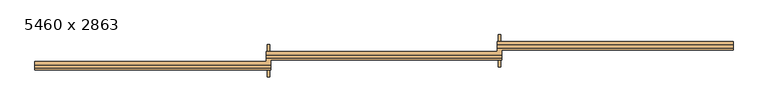
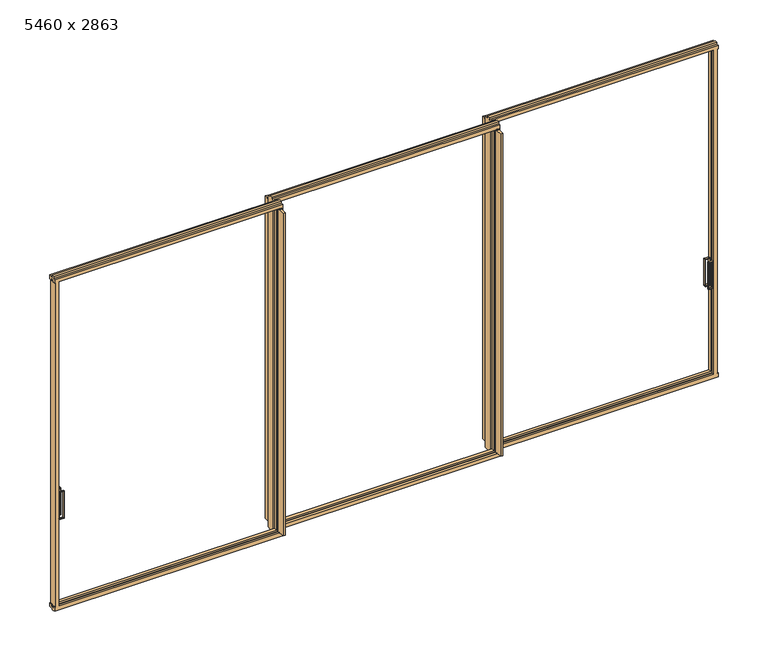
"""IFC4 building model written with IfcOpenShell, lengths in millimetres: door geometry, 5460 x 2863."""

from ifc_helpers import new_model, si_unit, point, frame, frame_2d, origin, place, context, project, spatial, polyline, circle_curve, trimmed, segment, composite_curve, outline, extrude, faceted_brep, source, transform, mapped, element, save
from ifc_brep_helpers import plane_surface, cylinder_surface, revolved_surface, advanced_brep


def door_5460_x_2863_6045a5b3(model_context):
    return source(origin(), model_context, "Body", "SolidModel", [
        extrude(outline(composite_curve([segment(trimmed(circle_curve(frame_2d((995.6578947, 2657.2)), 2.5), [point((998.1578947, 2657.2))], [point((995.6578947, 2654.7))], False, "CARTESIAN"), True, "CONTINUOUS"), segment(polyline([(995.6578947, 2654.7), (770.6578947, 2654.7)]), True, "CONTINUOUS"), segment(trimmed(circle_curve(frame_2d((770.6578947, 2657.2)), 2.5), [point((770.6578947, 2654.7))], [point((768.1578947, 2657.2))], False, "CARTESIAN"), True, "CONTINUOUS"), segment(polyline([(768.1578947, 2657.2), (768.1578947, 2692.2)]), True, "CONTINUOUS"), segment(trimmed(circle_curve(frame_2d((770.6578947, 2692.2)), 2.5), [point((768.1578947, 2692.2))], [point((770.6578947, 2694.7))], False, "CARTESIAN"), True, "CONTINUOUS"), segment(polyline([(770.6578947, 2694.7), (995.7002991, 2694.7)]), True, "CONTINUOUS"), segment(trimmed(circle_curve(frame_2d((995.7002991, 2692.2424043)), 2.4575957), [point((995.7002991, 2694.7))], [point((998.1578947, 2692.2424043))], False, "CARTESIAN"), True, "CONTINUOUS"), segment(polyline([(998.1578947, 2692.2424043), (998.1578947, 2657.2)]), True, "CONTINUOUS")], self_intersect=False), holes=[composite_curve([segment(polyline([(993.1578947, 2660.7), (993.1578947, 2688.7)]), True, "CONTINUOUS"), segment(trimmed(circle_curve(frame_2d((992.1578947, 2688.7)), 1.0), [point((993.1578947, 2688.7))], [point((992.1578947, 2689.7))], True, "CARTESIAN"), True, "CONTINUOUS"), segment(polyline([(992.1578947, 2689.7), (774.1578947, 2689.7)]), True, "CONTINUOUS"), segment(trimmed(circle_curve(frame_2d((774.1578947, 2688.7)), 1.0), [point((774.1578947, 2689.7))], [point((773.1578947, 2688.7))], True, "CARTESIAN"), True, "CONTINUOUS"), segment(polyline([(773.1578947, 2688.7), (773.1578947, 2660.7)]), True, "CONTINUOUS"), segment(trimmed(circle_curve(frame_2d((774.1578947, 2660.7)), 1.0), [point((773.1578947, 2660.7))], [point((774.1578947, 2659.7))], True, "CARTESIAN"), True, "CONTINUOUS"), segment(polyline([(774.1578947, 2659.7), (992.1578947, 2659.7)]), True, "CONTINUOUS"), segment(trimmed(circle_curve(frame_2d((992.1578947, 2660.7)), 1.0), [point((992.1578947, 2659.7))], [point((993.1578947, 2660.7))], True, "CARTESIAN"), True, "CONTINUOUS")], self_intersect=False)]), frame((0.0, 51.9342105, 0.0), z_axis=(0.0, 1.0, 0.0), x_axis=(0.0, 0.0, 1.0)), (0.0, 0.0, 1.0), 10.0),
        extrude(outline(composite_curve([segment(trimmed(circle_curve(frame_2d((901.9849528, 2687.6944959)), 10.0), [point((892.1661465, 2689.5895005))], [point((892.7785364, 2683.7904087))], True, "CARTESIAN"), True, "CONTINUOUS"), segment(trimmed(circle_curve(frame_2d((891.8578947, 2683.4)), 1.0), [point((892.7785364, 2683.7904087))], [point((891.8578947, 2682.4))], False, "CARTESIAN"), True, "CONTINUOUS"), segment(polyline([(891.8578947, 2682.4), (886.8578947, 2682.4)]), True, "CONTINUOUS"), segment(trimmed(circle_curve(frame_2d((886.8578947, 2683.4)), 1.0), [point((886.8578947, 2682.4))], [point((885.9372531, 2683.7904087))], False, "CARTESIAN"), True, "CONTINUOUS"), segment(trimmed(circle_curve(frame_2d((876.7308367, 2687.6944959)), 10.0), [point((885.9372531, 2683.7904087))], [point((886.7308367, 2687.6944959))], True, "CARTESIAN"), True, "CONTINUOUS"), segment(trimmed(circle_curve(frame_2d((876.7308367, 2687.6944959)), 10.0), [point((886.7308367, 2687.6944959))], [point((886.549643, 2689.5895005))], True, "CARTESIAN"), True, "CONTINUOUS"), segment(trimmed(circle_curve(frame_2d((885.5677623, 2689.4)), 1.0), [point((886.549643, 2689.5895005))], [point((885.5677623, 2690.4))], True, "CARTESIAN"), True, "CONTINUOUS"), segment(polyline([(885.5677623, 2690.4), (854.3078947, 2690.4), (854.3078947, 2695.4), (924.4078947, 2695.4), (924.4078947, 2690.4), (893.1480271, 2690.4)]), True, "CONTINUOUS"), segment(trimmed(circle_curve(frame_2d((893.1480271, 2689.4)), 1.0), [point((893.1480271, 2690.4))], [point((892.1661465, 2689.5895005))], True, "CARTESIAN"), True, "CONTINUOUS")], self_intersect=False)), frame((0.0, 99.6, 0.0), z_axis=(0.0, 1.0, 0.0), x_axis=(0.0, 0.0, 1.0)), (0.0, 0.0, 1.0), 12.55),
        advanced_brep(
        [(2657.2, 115.35, 998.1578947), (2692.2424043, 115.35, 998.1578947), (2694.7, 115.35, 995.7002991), (2694.7, 115.35, 770.6578947), (2692.2, 115.35, 768.1578947), (2657.2, 115.35, 768.1578947), (2654.7, 115.35, 770.6578947), (2654.7, 115.35, 995.6578947), (2660.7, 115.35, 993.1578947), (2659.7, 115.35, 992.1578947), (2659.7, 115.35, 774.1578947), (2660.7, 115.35, 773.1578947), (2688.7, 115.35, 773.1578947), (2689.7, 115.35, 774.1578947), (2689.7, 115.35, 992.1578947), (2688.7, 115.35, 993.1578947), (2657.2, 96.35, 998.1578947), (2654.7, 96.35, 995.6578947), (2654.7, 96.35, 770.6578947), (2657.2, 96.35, 768.1578947), (2692.2, 96.35, 768.1578947), (2694.7, 96.35, 770.6578947), (2694.7, 96.35, 995.7002991), (2692.2424043, 96.35, 998.1578947), (2660.7, 96.35, 993.1578947), (2688.7, 96.35, 993.1578947), (2689.7, 96.35, 992.1578947), (2689.7, 96.35, 774.1578947), (2688.7, 96.35, 773.1578947), (2660.7, 96.35, 773.1578947), (2659.7, 96.35, 774.1578947), (2659.7, 96.35, 992.1578947), (2694.7, 113.1, 840.4799553), (2694.7, 112.1, 839.4799553), (2694.7, 99.6, 839.4799553), (2694.7, 98.6, 840.4799553), (2694.7, 98.6, 924.7799553), (2694.7, 99.6, 925.7799553), (2694.7, 112.1, 925.7799553), (2694.7, 113.1, 924.7799553), (2689.7, 112.1, 839.4799553), (2689.7, 113.1, 840.4799553), (2689.7, 113.1, 924.7799553), (2689.7, 112.1, 925.7799553), (2689.7, 99.6, 925.7799553), (2689.7, 98.6, 924.7799553), (2689.7, 98.6, 840.4799553), (2689.7, 99.6, 839.4799553)],
        [
            (0, 1),
            (1, 2, circle_curve(frame((2692.2424043, 115.35, 995.7002991), z_axis=(0.0, 1.0, 0.0), x_axis=(-1.0, 0.0, 0.0)), 2.4575957)),
            (2, 3),
            (3, 4, circle_curve(frame((2692.2, 115.35, 770.6578947), z_axis=(0.0, 1.0, 0.0), x_axis=(-1.0, 0.0, 0.0)), 2.5)),
            (4, 5),
            (5, 6, circle_curve(frame((2657.2, 115.35, 770.6578947), z_axis=(0.0, 1.0, 0.0), x_axis=(-1.0, 0.0, 0.0)), 2.5)),
            (6, 7),
            (7, 0, circle_curve(frame((2657.2, 115.35, 995.6578947), z_axis=(0.0, 1.0, 0.0), x_axis=(-1.0, 0.0, 0.0)), 2.5)),
            (8, 9, circle_curve(frame((2660.7, 115.35, 992.1578947), z_axis=(0.0, -1.0, 0.0), x_axis=(-1.0, 0.0, 0.0)), 1.0)),
            (9, 10),
            (10, 11, circle_curve(frame((2660.7, 115.35, 774.1578947), z_axis=(0.0, -1.0, 0.0), x_axis=(-1.0, 0.0, 0.0)), 1.0)),
            (11, 12),
            (12, 13, circle_curve(frame((2688.7, 115.35, 774.1578947), z_axis=(0.0, -1.0, 0.0), x_axis=(-1.0, 0.0, 0.0)), 1.0)),
            (13, 14),
            (14, 15, circle_curve(frame((2688.7, 115.35, 992.1578947), z_axis=(0.0, -1.0, 0.0), x_axis=(-1.0, 0.0, 0.0)), 1.0)),
            (15, 8),
            (16, 17, circle_curve(frame((2657.2, 96.35, 995.6578947), z_axis=(0.0, -1.0, 0.0), x_axis=(-1.0, 0.0, 0.0)), 2.5)),
            (17, 18),
            (18, 19, circle_curve(frame((2657.2, 96.35, 770.6578947), z_axis=(0.0, -1.0, 0.0), x_axis=(-1.0, 0.0, 0.0)), 2.5)),
            (19, 20),
            (20, 21, circle_curve(frame((2692.2, 96.35, 770.6578947), z_axis=(0.0, -1.0, 0.0), x_axis=(-1.0, 0.0, 0.0)), 2.5)),
            (21, 22),
            (22, 23, circle_curve(frame((2692.2424043, 96.35, 995.7002991), z_axis=(0.0, -1.0, 0.0), x_axis=(-1.0, 0.0, 0.0)), 2.4575957)),
            (23, 16),
            (24, 25),
            (25, 26, circle_curve(frame((2688.7, 96.35, 992.1578947), z_axis=(0.0, 1.0, 0.0), x_axis=(-1.0, 0.0, 0.0)), 1.0)),
            (26, 27),
            (27, 28, circle_curve(frame((2688.7, 96.35, 774.1578947), z_axis=(0.0, 1.0, 0.0), x_axis=(-1.0, 0.0, 0.0)), 1.0)),
            (28, 29),
            (29, 30, circle_curve(frame((2660.7, 96.35, 774.1578947), z_axis=(0.0, 1.0, 0.0), x_axis=(-1.0, 0.0, 0.0)), 1.0)),
            (30, 31),
            (31, 24, circle_curve(frame((2660.7, 96.35, 992.1578947), z_axis=(0.0, 1.0, 0.0), x_axis=(-1.0, 0.0, 0.0)), 1.0)),
            (0, 16),
            (23, 1),
            (22, 2),
            (21, 3),
            (32, 33, circle_curve(frame((2694.7, 112.1, 840.4799553), z_axis=(-1.0, 0.0, 0.0), x_axis=(0.0, 0.0, -1.0)), 1.0)),
            (33, 34),
            (34, 35, circle_curve(frame((2694.7, 99.6, 840.4799553), z_axis=(-1.0, 0.0, 0.0), x_axis=(0.0, 0.0, -1.0)), 1.0)),
            (35, 36),
            (36, 37, circle_curve(frame((2694.7, 99.6, 924.7799553), z_axis=(-1.0, 0.0, 0.0), x_axis=(0.0, 0.0, -1.0)), 1.0)),
            (37, 38),
            (38, 39, circle_curve(frame((2694.7, 112.1, 924.7799553), z_axis=(-1.0, 0.0, 0.0), x_axis=(0.0, 0.0, -1.0)), 1.0)),
            (39, 32),
            (20, 4),
            (19, 5),
            (18, 6),
            (17, 7),
            (8, 24),
            (31, 9),
            (30, 10),
            (29, 11),
            (28, 12),
            (27, 13),
            (26, 14),
            (40, 41, circle_curve(frame((2689.7, 112.1, 840.4799553), z_axis=(1.0, 0.0, 0.0), x_axis=(0.0, 0.0, -1.0)), 1.0)),
            (41, 42),
            (42, 43, circle_curve(frame((2689.7, 112.1, 924.7799553), z_axis=(1.0, 0.0, 0.0), x_axis=(0.0, 0.0, -1.0)), 1.0)),
            (43, 44),
            (44, 45, circle_curve(frame((2689.7, 99.6, 924.7799553), z_axis=(1.0, 0.0, 0.0), x_axis=(0.0, 0.0, -1.0)), 1.0)),
            (45, 46),
            (46, 47, circle_curve(frame((2689.7, 99.6, 840.4799553), z_axis=(1.0, 0.0, 0.0), x_axis=(0.0, 0.0, -1.0)), 1.0)),
            (47, 40),
            (25, 15),
            (40, 33),
            (32, 41),
            (39, 42),
            (38, 43),
            (37, 44),
            (36, 45),
            (35, 46),
            (34, 47),
        ],
        [
            plane_surface(frame((2692.2, 115.35, 998.1578947), z_axis=(0.0, 1.0, 0.0), x_axis=(1.0, 0.0, 0.0))),
            plane_surface(frame((2692.2, 96.35, 998.1578947), z_axis=(0.0, -1.0, 0.0), x_axis=(-1.0, 0.0, 0.0))),
            plane_surface(frame((2657.2, 115.35, 998.1578947), z_axis=(0.0, 0.0, 1.0), x_axis=(0.0, -1.0, 0.0))),
            cylinder_surface(frame((2692.2424043, 96.35, 995.7002991), z_axis=(0.0, 1.0, 0.0), x_axis=(-1.0, 0.0, 0.0)), 2.4575957),
            plane_surface(frame((2694.7, 115.35, 995.7002991), z_axis=(1.0, 0.0, 0.0), x_axis=(0.0, -1.0, 0.0))),
            cylinder_surface(frame((2692.2, 96.35, 770.6578947), z_axis=(0.0, 1.0, 0.0), x_axis=(-1.0, 0.0, 0.0)), 2.5),
            plane_surface(frame((2692.2, 115.35, 768.1578947), z_axis=(0.0, 0.0, -1.0), x_axis=(0.0, -1.0, 0.0))),
            cylinder_surface(frame((2657.2, 96.35, 770.6578947), z_axis=(0.0, 1.0, 0.0), x_axis=(-1.0, 0.0, 0.0)), 2.5),
            plane_surface(frame((2654.7, 115.35, 770.6578947), z_axis=(-1.0, 0.0, 0.0), x_axis=(0.0, -1.0, 0.0))),
            cylinder_surface(frame((2657.2, 96.35, 995.6578947), z_axis=(0.0, 1.0, 0.0), x_axis=(-1.0, 0.0, 0.0)), 2.5),
            revolved_surface(polyline([(2659.7, 96.35, 992.1578947), (2659.7, 115.35, 992.1578947)]), (2660.7, 105.85, 992.1578947), (0.0, -1.0, 0.0)),
            plane_surface(frame((2659.7, 115.35, 992.1578947), z_axis=(1.0, 0.0, 0.0), x_axis=(0.0, -1.0, 0.0))),
            revolved_surface(polyline([(2659.7, 96.35, 774.1578947), (2659.7, 115.35, 774.1578947)]), (2660.7, 105.85, 774.1578947), (0.0, -1.0, 0.0)),
            plane_surface(frame((2660.7, 115.35, 773.1578947), z_axis=(0.0, 0.0, 1.0), x_axis=(0.0, -1.0, 0.0))),
            revolved_surface(polyline([(2687.7, 96.35, 774.1578947), (2687.7, 115.35, 774.1578947)]), (2688.7, 105.85, 774.1578947), (0.0, -1.0, 0.0)),
            plane_surface(frame((2689.7, 115.35, 774.1578947), z_axis=(-1.0, 0.0, 0.0), x_axis=(0.0, -1.0, 0.0))),
            revolved_surface(polyline([(2687.7, 96.35, 992.1578947), (2687.7, 115.35, 992.1578947)]), (2688.7, 105.85, 992.1578947), (0.0, -1.0, 0.0)),
            plane_surface(frame((2688.7, 115.35, 993.1578947), z_axis=(0.0, 0.0, -1.0), x_axis=(0.0, -1.0, 0.0))),
            revolved_surface(polyline([(2694.7, 112.1, 839.4799553), (2689.7, 112.1, 839.4799553)]), (2679.7, 112.1, 840.4799553), (1.0, 0.0, 0.0)),
            plane_surface(frame((2704.7, 113.1, 840.4799553), z_axis=(0.0, -1.0, 0.0), x_axis=(-1.0, 0.0, 0.0))),
            revolved_surface(polyline([(2694.7, 112.1, 923.7799553), (2689.7, 112.1, 923.7799553)]), (2679.7, 112.1, 924.7799553), (1.0, 0.0, 0.0)),
            plane_surface(frame((2704.7, 112.1, 925.7799553), z_axis=(0.0, 0.0, -1.0), x_axis=(-1.0, 0.0, 0.0))),
            revolved_surface(polyline([(2694.7, 99.6, 923.7799553), (2689.7, 99.6, 923.7799553)]), (2679.7, 99.6, 924.7799553), (1.0, 0.0, 0.0)),
            plane_surface(frame((2704.7, 98.6, 924.7799553), z_axis=(0.0, 1.0, 0.0), x_axis=(-1.0, 0.0, 0.0))),
            revolved_surface(polyline([(2694.7, 99.6, 839.4799553), (2689.7, 99.6, 839.4799553)]), (2679.7, 99.6, 840.4799553), (1.0, 0.0, 0.0)),
            plane_surface(frame((2704.7, 99.6, 839.4799553), z_axis=(0.0, 0.0, 1.0), x_axis=(-1.0, 0.0, 0.0))),
        ],
        [
            (0, [[1, 2, 3, 4, 5, 6, 7, 8], [9, 10, 11, 12, 13, 14, 15, 16]]),
            (1, [[17, 18, 19, 20, 21, 22, 23, 24], [25, 26, 27, 28, 29, 30, 31, 32]]),
            (2, [[-1, 33, -24, 34]]),
            (3, [[-2, -34, -23, 35]]),
            (4, [[-3, -35, -22, 36], [37, 38, 39, 40, 41, 42, 43, 44]]),
            (5, [[-4, -36, -21, 45]]),
            (6, [[-5, -45, -20, 46]]),
            (7, [[-6, -46, -19, 47]]),
            (8, [[-7, -47, -18, 48]]),
            (9, [[-8, -48, -17, -33]]),
            (10, [[-9, 49, -32, 50]]),
            (11, [[-10, -50, -31, 51]]),
            (12, [[-11, -51, -30, 52]]),
            (13, [[-12, -52, -29, 53]]),
            (14, [[-13, -53, -28, 54]]),
            (15, [[-14, -54, -27, 55], [56, 57, 58, 59, 60, 61, 62, 63]]),
            (16, [[-15, -55, -26, 64]]),
            (17, [[-16, -64, -25, -49]]),
            (18, [[65, -37, 66, -56]]),
            (19, [[-66, -44, 67, -57]]),
            (20, [[-67, -43, 68, -58]]),
            (21, [[-68, -42, 69, -59]]),
            (22, [[-69, -41, 70, -60]]),
            (23, [[-70, -40, 71, -61]]),
            (24, [[-71, -39, 72, -62]]),
            (25, [[-65, -63, -72, -38]]),
        ],
    ),
        extrude(outline(composite_curve([segment(polyline([(998.1578947, -2604.8000303), (998.1578947, -2639.8424347)]), True, "CONTINUOUS"), segment(trimmed(circle_curve(frame_2d((995.7002991, -2639.8424347)), 2.4575957), [point((998.1578947, -2639.8424347))], [point((995.7002991, -2642.3000303))], False, "CARTESIAN"), True, "CONTINUOUS"), segment(polyline([(995.7002991, -2642.3000303), (770.6578947, -2642.3000303)]), True, "CONTINUOUS"), segment(trimmed(circle_curve(frame_2d((770.6578947, -2639.8000303)), 2.5), [point((770.6578947, -2642.3000303))], [point((768.1578947, -2639.8000303))], False, "CARTESIAN"), True, "CONTINUOUS"), segment(polyline([(768.1578947, -2639.8000303), (768.1578947, -2604.8000303)]), True, "CONTINUOUS"), segment(trimmed(circle_curve(frame_2d((770.6578947, -2604.8000303)), 2.5), [point((768.1578947, -2604.8000303))], [point((770.6578947, -2602.3000303))], False, "CARTESIAN"), True, "CONTINUOUS"), segment(polyline([(770.6578947, -2602.3000303), (995.6578947, -2602.3000303)]), True, "CONTINUOUS"), segment(trimmed(circle_curve(frame_2d((995.6578947, -2604.8000303)), 2.5), [point((995.6578947, -2602.3000303))], [point((998.1578947, -2604.8000303))], False, "CARTESIAN"), True, "CONTINUOUS")], self_intersect=False), holes=[composite_curve([segment(trimmed(circle_curve(frame_2d((992.1578947, -2608.3000303)), 1.0), [point((993.1578947, -2608.3000303))], [point((992.1578947, -2607.3000303))], True, "CARTESIAN"), True, "CONTINUOUS"), segment(polyline([(992.1578947, -2607.3000303), (774.1578947, -2607.3000303)]), True, "CONTINUOUS"), segment(trimmed(circle_curve(frame_2d((774.1578947, -2608.3000303)), 1.0), [point((774.1578947, -2607.3000303))], [point((773.1578947, -2608.3000303))], True, "CARTESIAN"), True, "CONTINUOUS"), segment(polyline([(773.1578947, -2608.3000303), (773.1578947, -2636.3000303)]), True, "CONTINUOUS"), segment(trimmed(circle_curve(frame_2d((774.1578947, -2636.3000303)), 1.0), [point((773.1578947, -2636.3000303))], [point((774.1578947, -2637.3000303))], True, "CARTESIAN"), True, "CONTINUOUS"), segment(polyline([(774.1578947, -2637.3000303), (992.1578947, -2637.3000303)]), True, "CONTINUOUS"), segment(trimmed(circle_curve(frame_2d((992.1578947, -2636.3000303)), 1.0), [point((992.1578947, -2637.3000303))], [point((993.1578947, -2636.3000303))], True, "CARTESIAN"), True, "CONTINUOUS"), segment(polyline([(993.1578947, -2636.3000303), (993.1578947, -2608.3000303)]), True, "CONTINUOUS")], self_intersect=False)]), frame((0.0, -103.5394737, 0.0), z_axis=(0.0, 1.0, 0.0), x_axis=(0.0, 0.0, 1.0)), (0.0, 0.0, 1.0), 10.0),
        extrude(outline(composite_curve([segment(trimmed(circle_curve(frame_2d((893.1480271, -2637.0000303)), 1.0), [point((892.1661465, -2637.1895308))], [point((893.1480271, -2638.0000303))], True, "CARTESIAN"), True, "CONTINUOUS"), segment(polyline([(893.1480271, -2638.0000303), (924.4078947, -2638.0000303), (924.4078947, -2643.0000303), (854.3078947, -2643.0000303), (854.3078947, -2638.0000303), (885.5677623, -2638.0000303)]), True, "CONTINUOUS"), segment(trimmed(circle_curve(frame_2d((885.5677623, -2637.0000303)), 1.0), [point((885.5677623, -2638.0000303))], [point((886.549643, -2637.1895308))], True, "CARTESIAN"), True, "CONTINUOUS"), segment(trimmed(circle_curve(frame_2d((876.7308367, -2635.2945262)), 10.0), [point((886.549643, -2637.1895308))], [point((886.7308367, -2635.2945262))], True, "CARTESIAN"), True, "CONTINUOUS"), segment(trimmed(circle_curve(frame_2d((876.7308367, -2635.2945262)), 10.0), [point((886.7308367, -2635.2945262))], [point((885.9372531, -2631.390439))], True, "CARTESIAN"), True, "CONTINUOUS"), segment(trimmed(circle_curve(frame_2d((886.8578947, -2631.0000303)), 1.0), [point((885.9372531, -2631.390439))], [point((886.8578947, -2630.0000303))], False, "CARTESIAN"), True, "CONTINUOUS"), segment(polyline([(886.8578947, -2630.0000303), (891.8578947, -2630.0000303)]), True, "CONTINUOUS"), segment(trimmed(circle_curve(frame_2d((891.8578947, -2631.0000303)), 1.0), [point((891.8578947, -2630.0000303))], [point((892.7785364, -2631.390439))], False, "CARTESIAN"), True, "CONTINUOUS"), segment(trimmed(circle_curve(frame_2d((901.9849528, -2635.2945262)), 10.0), [point((892.7785364, -2631.390439))], [point((892.1661465, -2637.1895308))], True, "CARTESIAN"), True, "CONTINUOUS")], self_intersect=False)), frame((0.0, -55.1315789, 0.0), z_axis=(0.0, 1.0, 0.0), x_axis=(0.0, 0.0, 1.0)), (0.0, 0.0, 1.0), 12.55),
        advanced_brep(
        [(-2604.8000303, -39.3815789, 998.1578947), (-2602.3000303, -39.3815789, 995.6578947), (-2602.3000303, -39.3815789, 770.6578947), (-2604.8000303, -39.3815789, 768.1578947), (-2639.8000303, -39.3815789, 768.1578947), (-2642.3000303, -39.3815789, 770.6578947), (-2642.3000303, -39.3815789, 995.7002991), (-2639.8424347, -39.3815789, 998.1578947), (-2608.3000303, -39.3815789, 993.1578947), (-2636.3000303, -39.3815789, 993.1578947), (-2637.3000303, -39.3815789, 992.1578947), (-2637.3000303, -39.3815789, 774.1578947), (-2636.3000303, -39.3815789, 773.1578947), (-2608.3000303, -39.3815789, 773.1578947), (-2607.3000303, -39.3815789, 774.1578947), (-2607.3000303, -39.3815789, 992.1578947), (-2604.8000303, -58.3815789, 998.1578947), (-2639.8424347, -58.3815789, 998.1578947), (-2642.3000303, -58.3815789, 995.7002991), (-2642.3000303, -58.3815789, 770.6578947), (-2639.8000303, -58.3815789, 768.1578947), (-2604.8000303, -58.3815789, 768.1578947), (-2602.3000303, -58.3815789, 770.6578947), (-2602.3000303, -58.3815789, 995.6578947), (-2608.3000303, -58.3815789, 993.1578947), (-2607.3000303, -58.3815789, 992.1578947), (-2607.3000303, -58.3815789, 774.1578947), (-2608.3000303, -58.3815789, 773.1578947), (-2636.3000303, -58.3815789, 773.1578947), (-2637.3000303, -58.3815789, 774.1578947), (-2637.3000303, -58.3815789, 992.1578947), (-2636.3000303, -58.3815789, 993.1578947), (-2642.3000303, -41.6315789, 840.4799553), (-2642.3000303, -41.6315789, 924.7799553), (-2642.3000303, -42.6315789, 925.7799553), (-2642.3000303, -55.1315789, 925.7799553), (-2642.3000303, -56.1315789, 924.7799553), (-2642.3000303, -56.1315789, 840.4799553), (-2642.3000303, -55.1315789, 839.4799553), (-2642.3000303, -42.6315789, 839.4799553), (-2637.3000303, -42.6315789, 839.4799553), (-2637.3000303, -55.1315789, 839.4799553), (-2637.3000303, -56.1315789, 840.4799553), (-2637.3000303, -56.1315789, 924.7799553), (-2637.3000303, -55.1315789, 925.7799553), (-2637.3000303, -42.6315789, 925.7799553), (-2637.3000303, -41.6315789, 924.7799553), (-2637.3000303, -41.6315789, 840.4799553)],
        [
            (0, 1, circle_curve(frame((-2604.8000303, -39.3815789, 995.6578947), z_axis=(0.0, 1.0, 0.0), x_axis=(1.0, 0.0, 0.0)), 2.5)),
            (1, 2),
            (2, 3, circle_curve(frame((-2604.8000303, -39.3815789, 770.6578947), z_axis=(0.0, 1.0, 0.0), x_axis=(1.0, 0.0, 0.0)), 2.5)),
            (3, 4),
            (4, 5, circle_curve(frame((-2639.8000303, -39.3815789, 770.6578947), z_axis=(0.0, 1.0, 0.0), x_axis=(1.0, 0.0, 0.0)), 2.5)),
            (5, 6),
            (6, 7, circle_curve(frame((-2639.8424347, -39.3815789, 995.7002991), z_axis=(0.0, 1.0, 0.0), x_axis=(1.0, 0.0, 0.0)), 2.4575957)),
            (7, 0),
            (8, 9),
            (9, 10, circle_curve(frame((-2636.3000303, -39.3815789, 992.1578947), z_axis=(0.0, -1.0, 0.0), x_axis=(1.0, 0.0, 0.0)), 1.0)),
            (10, 11),
            (11, 12, circle_curve(frame((-2636.3000303, -39.3815789, 774.1578947), z_axis=(0.0, -1.0, 0.0), x_axis=(1.0, 0.0, 0.0)), 1.0)),
            (12, 13),
            (13, 14, circle_curve(frame((-2608.3000303, -39.3815789, 774.1578947), z_axis=(0.0, -1.0, 0.0), x_axis=(1.0, 0.0, 0.0)), 1.0)),
            (14, 15),
            (15, 8, circle_curve(frame((-2608.3000303, -39.3815789, 992.1578947), z_axis=(0.0, -1.0, 0.0), x_axis=(1.0, 0.0, 0.0)), 1.0)),
            (16, 17),
            (17, 18, circle_curve(frame((-2639.8424347, -58.3815789, 995.7002991), z_axis=(0.0, -1.0, 0.0), x_axis=(1.0, 0.0, 0.0)), 2.4575957)),
            (18, 19),
            (19, 20, circle_curve(frame((-2639.8000303, -58.3815789, 770.6578947), z_axis=(0.0, -1.0, 0.0), x_axis=(1.0, 0.0, 0.0)), 2.5)),
            (20, 21),
            (21, 22, circle_curve(frame((-2604.8000303, -58.3815789, 770.6578947), z_axis=(0.0, -1.0, 0.0), x_axis=(1.0, 0.0, 0.0)), 2.5)),
            (22, 23),
            (23, 16, circle_curve(frame((-2604.8000303, -58.3815789, 995.6578947), z_axis=(0.0, -1.0, 0.0), x_axis=(1.0, 0.0, 0.0)), 2.5)),
            (24, 25, circle_curve(frame((-2608.3000303, -58.3815789, 992.1578947), z_axis=(0.0, 1.0, 0.0), x_axis=(1.0, 0.0, 0.0)), 1.0)),
            (25, 26),
            (26, 27, circle_curve(frame((-2608.3000303, -58.3815789, 774.1578947), z_axis=(0.0, 1.0, 0.0), x_axis=(1.0, 0.0, 0.0)), 1.0)),
            (27, 28),
            (28, 29, circle_curve(frame((-2636.3000303, -58.3815789, 774.1578947), z_axis=(0.0, 1.0, 0.0), x_axis=(1.0, 0.0, 0.0)), 1.0)),
            (29, 30),
            (30, 31, circle_curve(frame((-2636.3000303, -58.3815789, 992.1578947), z_axis=(0.0, 1.0, 0.0), x_axis=(1.0, 0.0, 0.0)), 1.0)),
            (31, 24),
            (7, 17),
            (16, 0),
            (6, 18),
            (5, 19),
            (32, 33),
            (33, 34, circle_curve(frame((-2642.3000303, -42.6315789, 924.7799553), z_axis=(1.0, 0.0, 0.0), x_axis=(0.0, 0.0, -1.0)), 1.0)),
            (34, 35),
            (35, 36, circle_curve(frame((-2642.3000303, -55.1315789, 924.7799553), z_axis=(1.0, 0.0, 0.0), x_axis=(0.0, 0.0, -1.0)), 1.0)),
            (36, 37),
            (37, 38, circle_curve(frame((-2642.3000303, -55.1315789, 840.4799553), z_axis=(1.0, 0.0, 0.0), x_axis=(0.0, 0.0, -1.0)), 1.0)),
            (38, 39),
            (39, 32, circle_curve(frame((-2642.3000303, -42.6315789, 840.4799553), z_axis=(1.0, 0.0, 0.0), x_axis=(0.0, 0.0, -1.0)), 1.0)),
            (4, 20),
            (3, 21),
            (2, 22),
            (1, 23),
            (15, 25),
            (24, 8),
            (14, 26),
            (13, 27),
            (12, 28),
            (11, 29),
            (10, 30),
            (40, 41),
            (41, 42, circle_curve(frame((-2637.3000303, -55.1315789, 840.4799553), z_axis=(-1.0, 0.0, 0.0), x_axis=(0.0, 0.0, -1.0)), 1.0)),
            (42, 43),
            (43, 44, circle_curve(frame((-2637.3000303, -55.1315789, 924.7799553), z_axis=(-1.0, 0.0, 0.0), x_axis=(0.0, 0.0, -1.0)), 1.0)),
            (44, 45),
            (45, 46, circle_curve(frame((-2637.3000303, -42.6315789, 924.7799553), z_axis=(-1.0, 0.0, 0.0), x_axis=(0.0, 0.0, -1.0)), 1.0)),
            (46, 47),
            (47, 40, circle_curve(frame((-2637.3000303, -42.6315789, 840.4799553), z_axis=(-1.0, 0.0, 0.0), x_axis=(0.0, 0.0, -1.0)), 1.0)),
            (9, 31),
            (47, 32),
            (39, 40),
            (46, 33),
            (45, 34),
            (44, 35),
            (43, 36),
            (42, 37),
            (41, 38),
        ],
        [
            plane_surface(frame((-2639.8000303, -39.3815789, 998.1578947), z_axis=(0.0, 1.0, 0.0), x_axis=(-1.0, 0.0, 0.0))),
            plane_surface(frame((-2639.8000303, -58.3815789, 998.1578947), z_axis=(0.0, -1.0, 0.0), x_axis=(1.0, 0.0, 0.0))),
            plane_surface(frame((-2604.8000303, -39.3815789, 998.1578947), z_axis=(0.0, 0.0, 1.0), x_axis=(0.0, -1.0, 0.0))),
            cylinder_surface(frame((-2639.8424347, -58.3815789, 995.7002991), z_axis=(0.0, 1.0, 0.0), x_axis=(1.0, 0.0, 0.0)), 2.4575957),
            plane_surface(frame((-2642.3000303, -39.3815789, 995.7002991), z_axis=(-1.0, 0.0, 0.0), x_axis=(0.0, -1.0, 0.0))),
            cylinder_surface(frame((-2639.8000303, -58.3815789, 770.6578947), z_axis=(0.0, 1.0, 0.0), x_axis=(1.0, 0.0, 0.0)), 2.5),
            plane_surface(frame((-2639.8000303, -39.3815789, 768.1578947), z_axis=(0.0, 0.0, -1.0), x_axis=(0.0, -1.0, 0.0))),
            cylinder_surface(frame((-2604.8000303, -58.3815789, 770.6578947), z_axis=(0.0, 1.0, 0.0), x_axis=(1.0, 0.0, 0.0)), 2.5),
            plane_surface(frame((-2602.3000303, -39.3815789, 770.6578947), z_axis=(1.0, 0.0, 0.0), x_axis=(0.0, -1.0, 0.0))),
            cylinder_surface(frame((-2604.8000303, -58.3815789, 995.6578947), z_axis=(0.0, 1.0, 0.0), x_axis=(1.0, 0.0, 0.0)), 2.5),
            revolved_surface(polyline([(-2607.3000303, -58.3815789, 992.1578947), (-2607.3000303, -39.3815789, 992.1578947)]), (-2608.3000303, -48.8815789, 992.1578947), (0.0, -1.0, 0.0)),
            plane_surface(frame((-2607.3000303, -39.3815789, 992.1578947), z_axis=(-1.0, 0.0, 0.0), x_axis=(0.0, -1.0, 0.0))),
            revolved_surface(polyline([(-2607.3000303, -58.3815789, 774.1578947), (-2607.3000303, -39.3815789, 774.1578947)]), (-2608.3000303, -48.8815789, 774.1578947), (0.0, -1.0, 0.0)),
            plane_surface(frame((-2608.3000303, -39.3815789, 773.1578947), z_axis=(0.0, 0.0, 1.0), x_axis=(0.0, -1.0, 0.0))),
            revolved_surface(polyline([(-2635.3000303, -58.3815789, 774.1578947), (-2635.3000303, -39.3815789, 774.1578947)]), (-2636.3000303, -48.8815789, 774.1578947), (0.0, -1.0, 0.0)),
            plane_surface(frame((-2637.3000303, -39.3815789, 774.1578947), z_axis=(1.0, 0.0, 0.0), x_axis=(0.0, -1.0, 0.0))),
            revolved_surface(polyline([(-2635.3000303, -58.3815789, 992.1578947), (-2635.3000303, -39.3815789, 992.1578947)]), (-2636.3000303, -48.8815789, 992.1578947), (0.0, -1.0, 0.0)),
            plane_surface(frame((-2636.3000303, -39.3815789, 993.1578947), z_axis=(0.0, 0.0, -1.0), x_axis=(0.0, -1.0, 0.0))),
            revolved_surface(polyline([(-2642.3000303, -42.6315789, 839.4799553), (-2637.3000303, -42.6315789, 839.4799553)]), (-2627.3000303, -42.6315789, 840.4799553), (-1.0, 0.0, 0.0)),
            plane_surface(frame((-2652.3000303, -41.6315789, 840.4799553), z_axis=(0.0, -1.0, 0.0), x_axis=(1.0, 0.0, 0.0))),
            revolved_surface(polyline([(-2642.3000303, -42.6315789, 923.7799553), (-2637.3000303, -42.6315789, 923.7799553)]), (-2627.3000303, -42.6315789, 924.7799553), (-1.0, 0.0, 0.0)),
            plane_surface(frame((-2652.3000303, -42.6315789, 925.7799553), z_axis=(0.0, 0.0, -1.0), x_axis=(1.0, 0.0, 0.0))),
            revolved_surface(polyline([(-2642.3000303, -55.1315789, 923.7799553), (-2637.3000303, -55.1315789, 923.7799553)]), (-2627.3000303, -55.1315789, 924.7799553), (-1.0, 0.0, 0.0)),
            plane_surface(frame((-2652.3000303, -56.1315789, 924.7799553), z_axis=(0.0, 1.0, 0.0), x_axis=(1.0, 0.0, 0.0))),
            revolved_surface(polyline([(-2642.3000303, -55.1315789, 839.4799553), (-2637.3000303, -55.1315789, 839.4799553)]), (-2627.3000303, -55.1315789, 840.4799553), (-1.0, 0.0, 0.0)),
            plane_surface(frame((-2652.3000303, -55.1315789, 839.4799553), z_axis=(0.0, 0.0, 1.0), x_axis=(1.0, 0.0, 0.0))),
        ],
        [
            (0, [[1, 2, 3, 4, 5, 6, 7, 8], [9, 10, 11, 12, 13, 14, 15, 16]]),
            (1, [[17, 18, 19, 20, 21, 22, 23, 24], [25, 26, 27, 28, 29, 30, 31, 32]]),
            (2, [[33, -17, 34, -8]]),
            (3, [[35, -18, -33, -7]]),
            (4, [[36, -19, -35, -6], [37, 38, 39, 40, 41, 42, 43, 44]]),
            (5, [[45, -20, -36, -5]]),
            (6, [[46, -21, -45, -4]]),
            (7, [[47, -22, -46, -3]]),
            (8, [[48, -23, -47, -2]]),
            (9, [[-34, -24, -48, -1]]),
            (10, [[49, -25, 50, -16]]),
            (11, [[51, -26, -49, -15]]),
            (12, [[52, -27, -51, -14]]),
            (13, [[53, -28, -52, -13]]),
            (14, [[54, -29, -53, -12]]),
            (15, [[55, -30, -54, -11], [56, 57, 58, 59, 60, 61, 62, 63]]),
            (16, [[64, -31, -55, -10]]),
            (17, [[-50, -32, -64, -9]]),
            (18, [[-63, 65, -44, 66]]),
            (19, [[-62, 67, -37, -65]]),
            (20, [[-61, 68, -38, -67]]),
            (21, [[-60, 69, -39, -68]]),
            (22, [[-59, 70, -40, -69]]),
            (23, [[-58, 71, -41, -70]]),
            (24, [[-57, 72, -42, -71]]),
            (25, [[-43, -72, -56, -66]]),
        ],
    ),
        faceted_brep([(2731.5, 51.2500037, 38.0), (2731.5, 51.2500037, 6.2105263), (2731.5, 70.5657895, 6.2105263), (2731.5, 70.5657895, -2.0441028), (2731.5, 83.4499676, -2.0441028), (2731.5, 83.4499676, 6.2105263), (2731.5, 116.1499884, 6.2105263), (2731.5, 116.1499884, 38.0), (2731.5, 91.3026316, 38.0), (2731.5, 91.3026316, 24.1052632), (2731.5, 67.4078947, 24.1052632), (2731.5, 67.4078947, 38.0), (2731.5, 51.2499884, 2784.8315789), (2731.5, 67.4078947, 2784.8315789), (2731.5, 67.4078947, 2798.7263158), (2731.5, 91.3078947, 2798.7263158), (2731.5, 91.3078947, 2784.8315789), (2731.5, 116.1499884, 2784.8315789), (2731.5, 116.1499884, 2816.6210526), (2731.5, 87.9289475, 2816.6210526), (2731.5, 87.9289475, 2831.3598923), (2731.5, 66.7229624, 2831.3598923), (2731.5, 66.7229624, 2816.6210526), (2731.5, 51.2499884, 2816.6210526), (2726.8578947, 67.4078947, 38.0), (2726.8578947, 51.2500037, 38.0), (930.3798246, 67.4078947, 38.0), (930.3798246, 51.2500037, 38.0), (2694.7, 51.2500037, 38.0), (2694.7, 67.4078947, 38.0), (2726.8578947, 91.3026316, 24.1052632), (2726.8578947, 67.4078947, 24.1052632), (2708.9631579, 91.258453, 24.1052632), (920.4631579, 91.258453, 24.1052632), (920.4631579, 67.4078947, 24.1052632), (2708.9631579, 67.4078947, 24.1052632), (2726.8578947, 116.1499984, 38.0), (2726.8578947, 91.3026316, 38.0), (2694.7, 91.258453, 38.0), (2694.7, 116.1499984, 38.0), (930.3798246, 116.1499884, 38.0), (930.3798246, 91.258453, 38.0), (903.3464912, 83.4499676, -2.0441028), (903.3464912, 83.4499676, 6.2105263), (903.3464912, 70.5657895, -2.0441028), (903.3464912, 70.5657895, 6.2105263), (903.3464912, 66.7229624, 2831.3598923), (903.3464912, 66.7229624, 2816.6210526), (903.3464912, 87.9289475, 2831.3598923), (903.3464912, 87.9289475, 2816.6210526), (2726.8578947, 91.3078947, 2784.8315789), (2726.8578947, 116.1499984, 2784.8315789), (930.3798246, 91.258453, 2784.8315789), (930.3798246, 116.1499884, 2784.8315789), (2694.7, 116.1499984, 2784.8315789), (2694.7, 91.258453, 2784.8315789), (2726.8578947, 67.4078947, 2798.7263158), (2726.8578947, 91.3078947, 2798.7263158), (2708.9631579, 67.4078947, 2798.7263158), (920.4631579, 67.4078947, 2798.7263158), (920.4631579, 91.258453, 2798.7263158), (2708.9631579, 91.258453, 2798.7263158), (2726.8578947, 51.2500037, 2784.8315789), (2726.8578947, 67.4078947, 2784.8315789), (2694.7, 67.4078947, 2784.8315789), (2694.7, 51.2500037, 2784.8315789), (930.3798246, 51.2500037, 2784.8315789), (930.3798246, 67.4078947, 2784.8315789), (-858.4200697, 39.2239041, 2786.0270989), (-858.4200697, 40.0108981, 2777.5684211), (-877.6536145, 40.0108981, 2777.5684211), (-877.6536145, 39.2239041, 2786.0270989), (-858.4200697, 38.2552579, 2786.0270989), (-877.6536145, 38.2552579, 2786.0270989), (-858.4200697, 92.3552632, 2777.5684211), (-877.6536145, 92.3552632, 2777.5684211), (-877.6536145, 40.0108981, 45.4736842), (-877.6536145, 92.3552632, 45.4736842), (-858.4200697, 92.3552632, 45.4736842), (-858.4200697, 40.0108981, 45.4736842), (-877.6536145, 38.2552579, 37.0150064), (-877.6536145, 39.2239041, 37.0150064), (-858.4200697, 39.2239041, 37.0150064), (-858.4200697, 38.2552579, 37.0150064), (-877.6534386, -105.4056406, 2777.5684211), (-877.6534386, -157.5394737, 2777.5684211), (-858.5412281, -157.5394737, 2777.5684211), (-858.5412281, -105.4056406, 2777.5684211), (-877.6534386, -103.6500004, 2786.0270989), (-877.6534386, -104.6186466, 2786.0270989), (-858.5412281, -104.6186466, 2786.0270989), (-858.5412281, -103.6500004, 2786.0270989), (-858.5412281, -104.9291763, 37.0150064), (-858.5412281, -105.7161702, 45.4736842), (-877.6534386, -105.7161702, 45.4736842), (-877.6534386, -104.9291763, 37.0150064), (-877.6534386, -103.6500004, 37.0150064), (-858.5412281, -103.6500004, 37.0150064), (-858.5412281, -157.5394737, 45.4736842), (-877.6534386, -157.5394737, 45.4736842), (903.3464912, 116.1499884, 2816.6210526), (-856.2473684, -39.1184211, 2816.6210526), (-2679.0, -39.1184211, 2816.6210526), (-2679.0, -67.8552632, 2816.6210526), (-850.9201932, -67.8552632, 2816.6210526), (-850.9201932, -29.5394737, 2816.6210526), (-871.6534386, -29.5394737, 2816.6210526), (-871.6534386, -31.8552632, 2816.6210526), (-875.8482456, -31.8552632, 2816.6210526), (-875.8482456, -26.0657895, 2816.6210526), (937.5798246, -26.0657895, 2816.6210526), (937.5798246, -11.0131579, 2816.6210526), (-885.153491, -11.0131579, 2816.6210526), (-885.153491, -35.75, 2816.6210526), (-860.3367363, -35.75, 2816.6210526), (-860.3367363, -33.3289474, 2816.6210526), (-856.2473684, -33.3289474, 2816.6210526), (932.6895795, 38.2552579, 2816.6210526), (-885.153491, 38.2552579, 2816.6210526), (-885.153491, 9.8289474, 2816.6210526), (937.5798246, 9.8289474, 2816.6210526), (937.5798246, 48.3552569, 2816.6210526), (917.2835093, 48.3552569, 2816.6210526), (917.2835093, 46.0394674, 2816.6210526), (913.0887023, 46.0394674, 2816.6210526), (913.0887023, 51.2500037, 2816.6210526), (903.3464912, 41.9342105, 2816.6210526), (928.6002116, 41.9342105, 2816.6210526), (928.6002116, 44.5657832, 2816.6210526), (932.6895795, 44.5657832, 2816.6210526), (-2679.0, -103.6500004, 2816.6210526), (-850.9201932, -103.6500004, 2816.6210526), (-850.9201932, -88.6973684, 2816.6210526), (-2679.0, -88.6973684, 2816.6210526), (903.3464912, 116.1499884, 6.2105263), (937.5798246, 48.3552569, 6.2105263), (937.5798246, 5.8289474, 6.2105263), (-885.153491, 5.8289474, 6.2105263), (-885.153491, 38.2552579, 6.2105263), (932.6895795, 38.2552579, 6.2105263), (932.6895795, 44.5657832, 6.2105263), (928.6002116, 44.5657832, 6.2105263), (928.6002116, 41.9342105, 6.2105263), (903.3464912, 41.9342105, 6.2105263), (913.0887023, 51.2500037, 6.2105263), (913.0887023, 46.0394674, 6.2105263), (917.2835093, 46.0394674, 6.2105263), (917.2835093, 48.3552569, 6.2105263), (-2679.0, -39.1184211, 6.2105263), (-856.2473684, -39.1184211, 6.2105263), (-856.2473684, -33.3289474, 6.2105263), (-860.3367363, -33.3289474, 6.2105263), (-860.3367363, -35.75, 6.2105263), (-885.153491, -35.75, 6.2105263), (-885.153491, -7.0131579, 6.2105263), (937.5798246, -7.0131579, 6.2105263), (937.5798246, -26.0657895, 6.2105263), (-875.8482456, -26.0657895, 6.2105263), (-875.8482456, -31.8552632, 6.2105263), (-871.6534386, -31.8552632, 6.2105263), (-871.6534386, -29.5394737, 6.2105263), (-850.9201932, -29.5394737, 6.2105263), (-850.9201932, -71.8552632, 6.2105263), (-2679.0, -71.8552632, 6.2105263), (-850.9201932, -103.6500004, 6.2105263), (-2679.0, -103.6500004, 6.2105263), (-2679.0, -84.6973684, 6.2105263), (-850.9201932, -84.6973684, 6.2105263), (-2674.3000303, -103.6500004, 2784.8315789), (-2674.3000303, -87.9605263, 2784.8315789), (-2674.3000303, -87.9605263, 2798.7263158), (-2674.3000303, -64.0657895, 2798.7263158), (-2674.3000303, -64.0657895, 2784.8315789), (-2674.3000303, -39.1184211, 2784.8315789), (-2674.3000303, -39.1184211, 38.0), (-2674.3000303, -64.0657895, 38.0), (-2674.3000303, -64.0657895, 24.1052632), (-2674.3000303, -87.9605263, 24.1052632), (-2674.3000303, -87.9605263, 38.0), (-2674.3000303, -103.6500004, 38.0), (-2679.0, -39.1184211, 38.0), (-2679.0, -39.1184211, 2784.8315789), (-2642.3000303, -39.1184211, 2784.8315789), (-2642.3000303, -39.1184211, 38.0), (-877.6534386, -39.1184211, 38.0), (-877.6534386, -39.1184211, 2784.8315789), (-2642.3000303, -64.0657895, 2784.8315789), (-2642.3000303, -64.0657895, 38.0), (-2679.0, -64.0657895, 2784.8315789), (-2679.0, -64.0657895, 2798.7263158), (-2679.0, -64.0657895, 24.1052632), (-2679.0, -64.0657895, 38.0), (-2656.5368421, -64.0657895, 2798.7263158), (-2656.5368421, -64.0657895, 24.1052632), (-868.0368421, -64.0657895, 24.1052632), (-868.0368421, -64.0657895, 2798.7263158), (-877.6534386, -64.0657895, 2784.8315789), (-877.6534386, -64.0657895, 38.0), (-2656.5368421, -87.9605263, 2798.7263158), (-2656.5368421, -87.9605263, 24.1052632), (-2679.0, -87.9605263, 2798.7263158), (-2679.0, -87.9605263, 2784.8315789), (-2679.0, -87.9605263, 38.0), (-2679.0, -87.9605263, 24.1052632), (-868.0368421, -87.9605263, 2798.7263158), (-868.0368421, -87.9605263, 24.1052632), (-2642.3000303, -87.9605263, 2784.8315789), (-2642.3000303, -87.9605263, 38.0), (-877.6534386, -87.9605263, 38.0), (-877.6534386, -87.9605263, 2784.8315789), (-2642.3000303, -103.6500004, 2784.8315789), (-2642.3000303, -103.6500004, 38.0), (-2679.0, -103.6500004, 2784.8315789), (-2679.0, -103.6500004, 38.0), (-877.6534386, -103.6500004, 38.0), (-877.6534386, -103.6500004, 2784.8315789), (-850.9201932, -67.8552632, 2831.3598923), (-850.9201932, -88.6973684, 2831.3598923), (-850.9201932, -84.6973684, -2.0441028), (-850.9201932, -71.8552632, -2.0441028), (-885.153491, -11.0131579, 2831.3598923), (-885.153491, 9.8289474, 2831.3598923), (-885.153491, 5.8289474, -2.0441028), (-885.153491, -7.0131579, -2.0441028), (911.2835093, 38.2552579, 2784.8315789), (-858.4200697, 38.2552579, 2784.8315789), (-858.4200697, 38.2552579, 38.0), (911.2835093, 38.2552579, 38.0), (-858.4200697, 13.6184211, 38.0), (-858.4200697, 13.6184211, 2784.8315789), (-868.0368421, 13.6184211, 2798.7263158), (-868.0368421, 13.6184211, 24.1052632), (921.2001279, 13.6184211, 24.1052632), (921.2001279, 13.6184211, 2798.7263158), (911.2835093, 13.6184211, 2784.8315789), (911.2835093, 13.6184211, 38.0), (-868.0368421, -10.2815789, 2798.7263158), (-868.0368421, -10.2815789, 24.1052632), (921.2001279, -10.2815789, 2798.7263158), (921.2001279, -10.2815789, 24.1052632), (-858.4200697, -10.2815789, 38.0), (911.2835093, -10.2815789, 38.0), (911.2835093, -10.2815789, 2784.8315789), (-858.4200697, -10.2815789, 2784.8315789), (-858.4200697, -26.0657895, 2784.8315789), (-858.4200697, -26.0657895, 38.0), (930.3957198, -26.0657895, 2786.0270989), (930.3957198, -26.0657895, 37.0150064), (911.2835093, -26.0657895, 37.0150064), (911.2835093, -26.0657895, 38.0), (911.2835093, -26.0657895, 2784.8315789), (911.2835093, -26.0657895, 2786.0270989), (911.2833333, 116.1499984, 2786.0270989), (911.2833333, 116.1499984, 37.0150064), (930.3798246, 116.1499984, 37.0150064), (930.3798246, 116.1499984, 2786.0270989), (937.5798246, 9.8289474, 2831.3598923), (937.5798246, -11.0131579, 2831.3598923), (937.5798246, -7.0131579, -2.0441028), (937.5798246, 5.8289474, -2.0441028), (930.3957198, -79.6447431, 45.4736842), (930.3957198, -27.8214297, 45.4736842), (930.3957198, -27.0344357, 37.0150064), (930.3957198, -27.0344357, 2786.0270989), (930.3957198, -27.8214297, 2777.5684211), (930.3957198, -79.6447431, 2777.5684211), (911.2835093, -79.6447431, 2777.5684211), (911.2835093, -79.6447431, 45.4736842), (911.2835093, -27.8214297, 2777.5684211), (911.2835093, -27.0344357, 2786.0270989), (911.2835093, -27.0344357, 37.0150064), (911.2835093, -27.8214297, 45.4736842), (911.2833333, 169.9342105, 45.4736842), (911.2833333, 117.9056386, 45.4736842), (911.2833333, 117.1186447, 37.0150064), (911.2833333, 117.1186447, 2786.0270989), (911.2833333, 117.9056386, 2777.5684211), (911.2833333, 169.9342105, 2777.5684211), (930.3798246, 169.9342105, 2777.5684211), (930.3798246, 169.9342105, 45.4736842), (930.3798246, 117.9056386, 2777.5684211), (930.3798246, 117.1186447, 2786.0270989), (930.3798246, 117.1186447, 37.0150064), (930.3798246, 117.9056386, 45.4736842), (-2679.0, -88.6973684, 2831.3598923), (-2679.0, -67.8552632, 2831.3598923), (-2679.0, -71.8552632, -2.0441028), (-2679.0, -84.6973684, -2.0441028)], [[[0, 1, 2, 3, 4, 5, 6, 7, 8, 9, 10, 11]], [[12, 13, 14, 15, 16, 17, 18, 19, 20, 21, 22, 23]], [[11, 24, 25, 0]], [[26, 27, 28, 29]], [[9, 30, 31, 10]], [[32, 33, 34, 35]], [[7, 36, 37, 8]], [[38, 39, 40, 41]], [[4, 42, 43, 5]], [[3, 44, 42, 4]], [[2, 45, 44, 3]], [[21, 46, 47, 22]], [[20, 48, 46, 21]], [[19, 49, 48, 20]], [[16, 50, 51, 17]], [[52, 53, 54, 55]], [[14, 56, 57, 15]], [[58, 59, 60, 61]], [[12, 62, 63, 13]], [[64, 65, 66, 67]], [[68, 69, 70, 71]], [[72, 68, 71, 73]], [[69, 74, 75, 70]], [[76, 77, 78, 79]], [[80, 81, 82, 83]], [[81, 76, 79, 82]], [[84, 85, 86, 87]], [[88, 89, 90, 91]], [[89, 84, 87, 90]], [[92, 93, 94, 95]], [[95, 96, 97, 92]], [[93, 98, 99, 94]], [[18, 100, 49, 19]], [[101, 102, 103, 104, 105, 106, 107, 108, 109, 110, 111, 112, 113, 114, 115, 116]], [[117, 118, 119, 120, 121, 122, 123, 124, 125, 23, 22, 47, 126, 127, 128, 129]], [[130, 131, 132, 133]], [[5, 43, 134, 6]], [[135, 136, 137, 138, 139, 140, 141, 142, 143, 45, 2, 1, 144, 145, 146, 147]], [[148, 149, 150, 151, 152, 153, 154, 155, 156, 157, 158, 159, 160, 161, 162, 163]], [[164, 165, 166, 167]], [[168, 169, 170, 171, 172, 173, 174, 175, 176, 177, 178, 179]], [[101, 149, 148, 180, 174, 173, 181, 102], [182, 183, 184, 185]], [[182, 186, 187, 183]], [[188, 172, 171, 189]], [[190, 176, 175, 191]], [[192, 193, 194, 195], [186, 196, 197, 187]], [[192, 198, 199, 193]], [[200, 170, 169, 201]], [[202, 178, 177, 203]], [[198, 204, 205, 199], [206, 207, 208, 209]], [[206, 210, 211, 207]], [[130, 212, 168, 179, 213, 165, 164, 131], [214, 211, 210, 215, 88, 91, 97, 96]], [[104, 216, 217, 132, 131, 164, 167, 218, 219, 162, 161, 105]], [[85, 84, 89, 88, 215, 209, 208, 214, 96, 95, 94, 99]], [[204, 195, 194, 205]], [[196, 185, 184, 197]], [[116, 150, 149, 101]], [[115, 151, 150, 116]], [[114, 152, 151, 115]], [[113, 153, 152, 114]], [[113, 112, 220, 221, 119, 118, 138, 137, 222, 223, 154, 153]], [[139, 138, 118, 117], [224, 225, 72, 73, 80, 83, 226, 227]], [[77, 76, 81, 80, 73, 71, 70, 75]], [[75, 74, 78, 77]], [[228, 226, 83, 82, 79, 78, 74, 69, 68, 72, 225, 229]], [[230, 231, 232, 233], [229, 234, 235, 228]], [[236, 237, 231, 230]], [[236, 238, 239, 237], [240, 241, 242, 243]], [[243, 244, 245, 240]], [[109, 157, 156, 110], [246, 247, 248, 249, 245, 244, 250, 251]], [[108, 158, 157, 109]], [[107, 159, 158, 108]], [[106, 160, 159, 107]], [[105, 161, 160, 106]], [[65, 64, 29, 28]], [[10, 31, 24, 11]], [[13, 63, 56, 14]], [[58, 35, 34, 59], [64, 67, 26, 29]], [[35, 58, 61, 32]], [[8, 37, 30, 9]], [[15, 57, 50, 16]], [[61, 60, 33, 32], [38, 41, 52, 55]], [[55, 54, 39, 38]], [[6, 134, 100, 18, 17, 51, 36, 7], [252, 253, 254, 40, 39, 54, 53, 255]], [[51, 50, 57, 56, 63, 62, 25, 24, 31, 30, 37, 36]], [[0, 25, 62, 12, 23, 125, 144, 1], [28, 27, 66, 65]], [[98, 93, 92, 97, 91, 90, 87, 86]], [[99, 98, 86, 85]], [[121, 120, 256, 257, 111, 110, 156, 155, 258, 259, 136, 135]], [[260, 261, 262, 247, 246, 263, 264, 265]], [[265, 266, 267, 260]], [[266, 268, 269, 251, 250, 242, 241, 249, 248, 270, 271, 267]], [[233, 232, 239, 238]], [[234, 224, 227, 235]], [[129, 140, 139, 117]], [[128, 141, 140, 129]], [[127, 142, 141, 128]], [[126, 143, 142, 127]], [[126, 47, 46, 48, 49, 100, 134, 43, 42, 44, 45, 143]], [[272, 273, 274, 253, 252, 275, 276, 277]], [[277, 278, 279, 272]], [[278, 280, 281, 255, 53, 52, 41, 40, 254, 282, 283, 279]], [[33, 60, 59, 34]], [[67, 66, 27, 26]], [[124, 145, 144, 125]], [[123, 146, 145, 124]], [[122, 147, 146, 123]], [[121, 135, 147, 122]], [[257, 220, 112, 111]], [[256, 221, 220, 257]], [[120, 119, 221, 256]], [[229, 225, 224, 234]], [[230, 233, 238, 236]], [[242, 250, 244, 243]], [[240, 245, 249, 241]], [[237, 239, 232, 231]], [[235, 227, 226, 228]], [[259, 222, 137, 136]], [[258, 223, 222, 259]], [[155, 154, 223, 258]], [[212, 130, 133, 284, 285, 103, 102, 181, 188, 189, 200, 201]], [[213, 202, 203, 190, 191, 180, 148, 163, 286, 287, 166, 165]], [[217, 284, 133, 132]], [[216, 285, 284, 217]], [[103, 285, 216, 104]], [[181, 173, 172, 188]], [[186, 182, 185, 196]], [[189, 171, 170, 200]], [[198, 192, 195, 204]], [[201, 169, 168, 212]], [[209, 215, 210, 206]], [[207, 211, 214, 208]], [[213, 179, 178, 202]], [[203, 177, 176, 190]], [[205, 194, 193, 199]], [[191, 175, 174, 180]], [[197, 184, 183, 187]], [[219, 286, 163, 162]], [[218, 287, 286, 219]], [[166, 287, 218, 167]], [[281, 280, 276, 275]], [[275, 252, 255, 281]], [[280, 278, 277, 276]], [[273, 272, 279, 283]], [[253, 274, 282, 254]], [[274, 273, 283, 282]], [[268, 266, 265, 264]], [[251, 269, 263, 246]], [[269, 268, 264, 263]], [[262, 261, 271, 270]], [[270, 248, 247, 262]], [[261, 260, 267, 271]]]),
    ])


if __name__ == "__main__":
    model = new_model("IFC4")
    model_context = context("Model", 3, world=origin())
    ifc_project = project(units=[si_unit("LENGTHUNIT", "METRE", prefix="MILLI")], contexts=[model_context])
    site = spatial("IfcSite", under=ifc_project)
    building = spatial("IfcBuilding", under=site)
    placement = place(None, origin())
    door_5460_x_2863_shape = door_5460_x_2863_6045a5b3(model_context)
    element("IfcDoor", 1, ObjectType="5460 x 2863", at=placement, inside=building, context=model_context, shape_type="MappedRepresentation", body=[
        mapped(door_5460_x_2863_shape, transform((0.0, 0.0, 0.0), x_axis=(1.0, 0.0, 0.0), y_axis=(0.0, 1.0, 0.0), z_axis=(0.0, 0.0, 1.0))),
    ])
    save(model, "model.ifc")
